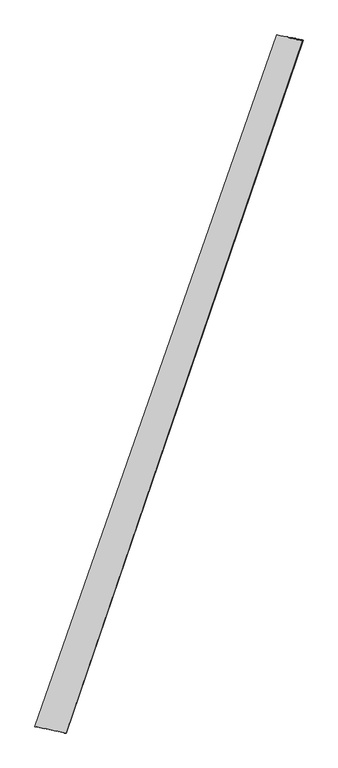
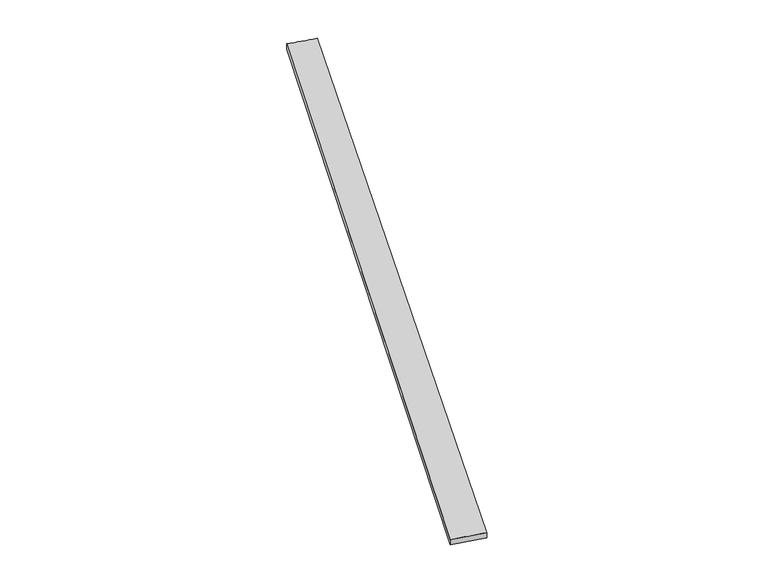
"""IFC4 building model written with IfcOpenShell, lengths in millimetres: proxy geometry."""

from ifc_helpers import new_model, si_unit, origin, place, context, project, spatial, source, transform, mapped, element, save
from ifc_brep_helpers import spline_surface, advanced_brep


def generic_models_0bc04ee7(model_context):
    return source(origin(), model_context, "Body", "AdvancedBrep", [
        advanced_brep(
        [(-672.7631544, -1704.3333244, -0.677174), (-672.8186778, -1704.3256437, 29.3227737), (663.8066246, 2117.5688625, 30.815516), (664.2326102, 2117.4315791, 0.8188547), (-499.665666, -1740.5389532, 30.6740213), (808.8334448, 2087.2465702, 29.1611193), (-499.2609431, -1740.6888554, 0.677126), (807.7914873, 2087.5906007, -0.8188068)],
        [
            (0, 1),
            (1, 2),
            (2, 3),
            (3, 0),
            (1, 4),
            (4, 5),
            (5, 2),
            (4, 6),
            (6, 7),
            (7, 5),
            (6, 0),
            (3, 7),
        ],
        [
            spline_surface(1, 1, [[(-672.7631544, -1704.3333244, -0.677174), (664.2326102, 2117.4315791, 0.8188547)], [(-672.8186778, -1704.3256437, 29.3227737), (663.8066246, 2117.5688625, 30.815516)]], [2, 2], [2, 2], [0.0, 1.0], [0.0, 1.0]),
            spline_surface(1, 1, [[(-672.8186778, -1704.3256437, 29.3227737), (663.8066246, 2117.5688625, 30.815516)], [(-499.665666, -1740.5389532, 30.6740213), (808.8334448, 2087.2465702, 29.1611193)]], [2, 2], [2, 2], [0.0, 1.0], [0.0, 1.0]),
            spline_surface(1, 1, [[(-499.665666, -1740.5389532, 30.6740213), (808.8334448, 2087.2465702, 29.1611193)], [(-499.2609431, -1740.6888554, 0.677126), (807.7914873, 2087.5906007, -0.8188068)]], [2, 2], [2, 2], [0.0, 1.0], [0.0, 1.0]),
            spline_surface(1, 1, [[(-499.2609431, -1740.6888554, 0.677126), (807.7914873, 2087.5906007, -0.8188068)], [(-672.7631544, -1704.3333244, -0.677174), (664.2326102, 2117.4315791, 0.8188547)]], [2, 2], [2, 2], [0.0, 1.0], [0.0, 1.0]),
            spline_surface(1, 1, [[(663.8066246, 2117.5688625, 30.815516), (664.2326102, 2117.4315791, 0.8188547)], [(808.8334448, 2087.2465702, 29.1611193), (807.7914873, 2087.5906007, -0.8188068)]], [2, 2], [2, 2], [0.0, 1.0], [0.0, 1.0]),
            spline_surface(1, 1, [[(-499.2609431, -1740.6888554, 0.677126), (-672.7631544, -1704.3333244, -0.677174)], [(-499.665666, -1740.5389532, 30.6740213), (-672.8186778, -1704.3256437, 29.3227737)]], [2, 2], [2, 2], [0.0, 1.0], [0.0, 1.0]),
        ],
        [
            (0, [[1, 2, 3, 4]]),
            (1, [[5, 6, 7, -2]]),
            (2, [[8, 9, 10, -6]]),
            (3, [[11, -4, 12, -9]]),
            (4, [[-3, -7, -10, -12]]),
            (5, [[-11, -8, -5, -1]]),
        ],
    ),
    ])


if __name__ == "__main__":
    model = new_model("IFC4")
    model_context = context("Model", 3, world=origin())
    ifc_project = project(units=[si_unit("LENGTHUNIT", "METRE", prefix="MILLI")], contexts=[model_context])
    site = spatial("IfcSite", under=ifc_project)
    building = spatial("IfcBuilding", under=site)
    placement = place(None, origin())
    generic_models_shape = generic_models_0bc04ee7(model_context)
    element("IfcBuildingElementProxy", 1, Name="Generic Models", at=placement, inside=building, context=model_context, shape_type="MappedRepresentation", body=[
        mapped(generic_models_shape, transform((0.0, 0.0, 0.0), x_axis=(1.0, 0.0, 0.0), y_axis=(0.0, 1.0, 0.0), z_axis=(0.0, 0.0, 1.0))),
    ])
    save(model, "model.ifc")
